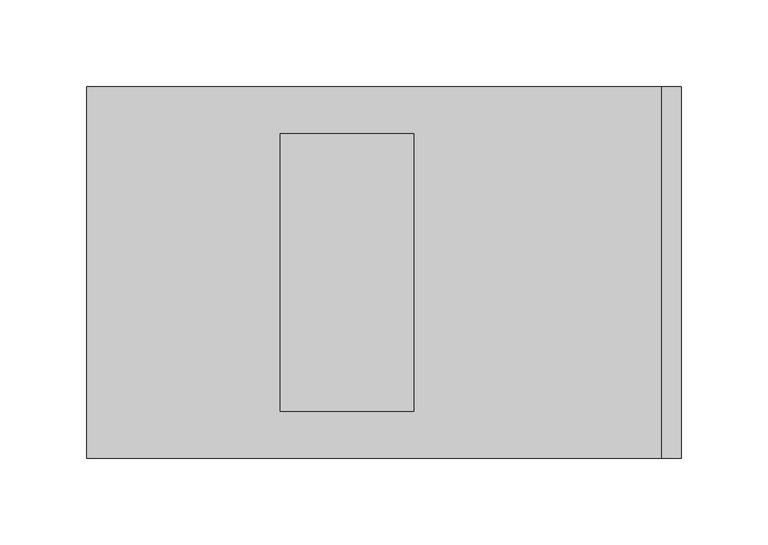
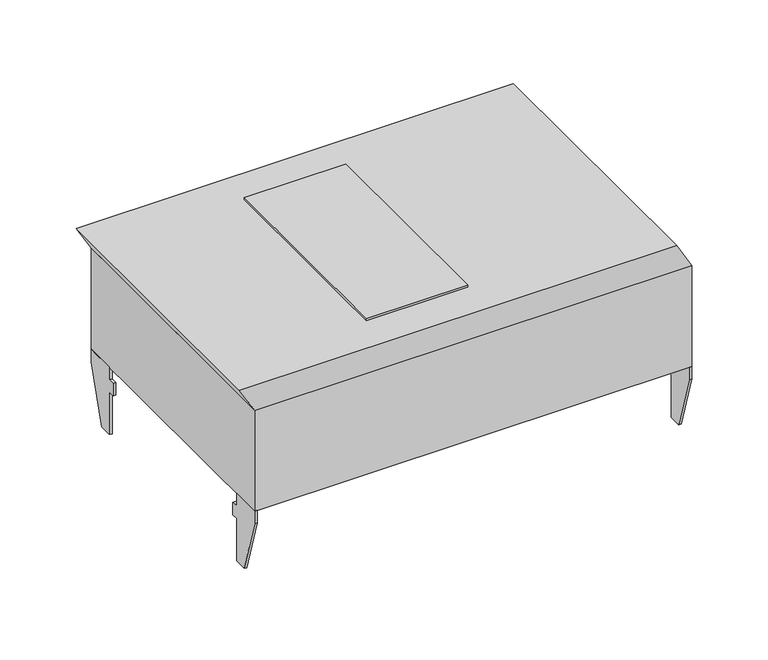
"""IFC4 building model written with IfcOpenShell, lengths in millimetres: proxy geometry."""

from ifc_helpers import new_model, si_unit, frame, origin, origin_with_axes, place, context, project, spatial, polyline, outline, extrude, source, transform, mapped, element, save


def electrical_fixtures_62980d1a(model_context):
    return source(origin(), model_context, "Body", "SweptSolid", [
        extrude(outline(polyline([(-78.5, -10.0), (-78.5, -20.0), (-83.5, -20.0), (-83.5, -54.0), (-93.5, -54.0), (-107.0, -10.0), (-107.0, 0.0), (-83.5, 0.0), (-83.5, -10.0), (-78.5, -10.0)])), frame((289.0, 0.0, 0.0), z_axis=(1.0, 0.0, 0.0), x_axis=(0.0, 1.0, 0.0)), (0.0, 0.0, 1.0), 2.0),
        extrude(outline(polyline([(78.5, -10.0), (83.5, -10.0), (83.5, 0.0), (107.0, 0.0), (107.0, -10.0), (93.5, -54.0), (83.5, -54.0), (83.5, -20.0), (78.5, -20.0), (78.5, -10.0)])), frame((289.0, 0.0, 0.0), z_axis=(1.0, 0.0, 0.0), x_axis=(0.0, 1.0, 0.0)), (0.0, 0.0, 1.0), 2.0),
        extrude(outline(polyline([(101.0, 279.4529946), (101.0, -51.5470054), (81.0, -40.0), (81.0, 291.0), (101.0, 279.4529946)])), frame((0.0, -107.0, 0.0), z_axis=(0.0, 1.0, 0.0), x_axis=(0.0, 0.0, 1.0)), (0.0, 0.0, 1.0), 214.0),
        extrude(outline(polyline([(0.0, -55.0), (0.0, 55.0), (10.0, 55.0), (10.0, -55.0), (0.0, -55.0)])), frame((0.0, 0.0, -40.0), z_axis=(0.0, 0.0, 1.0), x_axis=(1.0, 0.0, 0.0)), (0.0, 0.0, 1.0), 40.0),
        extrude(outline(polyline([(60.0, -80.0), (60.0, 80.0), (137.0, 80.0), (137.0, -80.0), (60.0, -80.0)])), frame((0.0, 0.0, 101.0), z_axis=(0.0, 0.0, 1.0), x_axis=(1.0, 0.0, 0.0)), (0.0, 0.0, 1.0), 2.0),
        extrude(outline(polyline([(-78.5, -10.0), (-78.5, -20.0), (-83.5, -20.0), (-83.5, -54.0), (-93.5, -54.0), (-107.0, -10.0), (-107.0, 0.0), (-83.5, 0.0), (-83.5, -10.0), (-78.5, -10.0)])), frame((-40.0, 0.0, 0.0), z_axis=(1.0, 0.0, 0.0), x_axis=(0.0, 1.0, 0.0)), (0.0, 0.0, 1.0), 2.0),
        extrude(outline(polyline([(78.5, -10.0), (83.5, -10.0), (83.5, 0.0), (107.0, 0.0), (107.0, -10.0), (93.5, -54.0), (83.5, -54.0), (83.5, -20.0), (78.5, -20.0), (78.5, -10.0)])), frame((-40.0, 0.0, 0.0), z_axis=(1.0, 0.0, 0.0), x_axis=(0.0, 1.0, 0.0)), (0.0, 0.0, 1.0), 2.0),
        extrude(outline(polyline([(-40.0, -107.0), (-40.0, 107.0), (291.0, 107.0), (291.0, -107.0), (-40.0, -107.0)])), origin_with_axes(), (0.0, 0.0, 1.0), 81.0),
    ])


if __name__ == "__main__":
    model = new_model("IFC4")
    model_context = context("Model", 3, world=origin())
    ifc_project = project(units=[si_unit("LENGTHUNIT", "METRE", prefix="MILLI")], contexts=[model_context])
    site = spatial("IfcSite", under=ifc_project)
    building = spatial("IfcBuilding", under=site)
    placement = place(None, origin())
    electrical_fixtures_shape = electrical_fixtures_62980d1a(model_context)
    element("IfcBuildingElementProxy", 1, Name="Electrical Fixtures", at=placement, inside=building, context=model_context, shape_type="MappedRepresentation", body=[
        mapped(electrical_fixtures_shape, transform((0.0, 0.0, 0.0), x_axis=(1.0, 0.0, 0.0), y_axis=(0.0, 1.0, 0.0), z_axis=(0.0, 0.0, 1.0))),
    ])
    save(model, "model.ifc")
